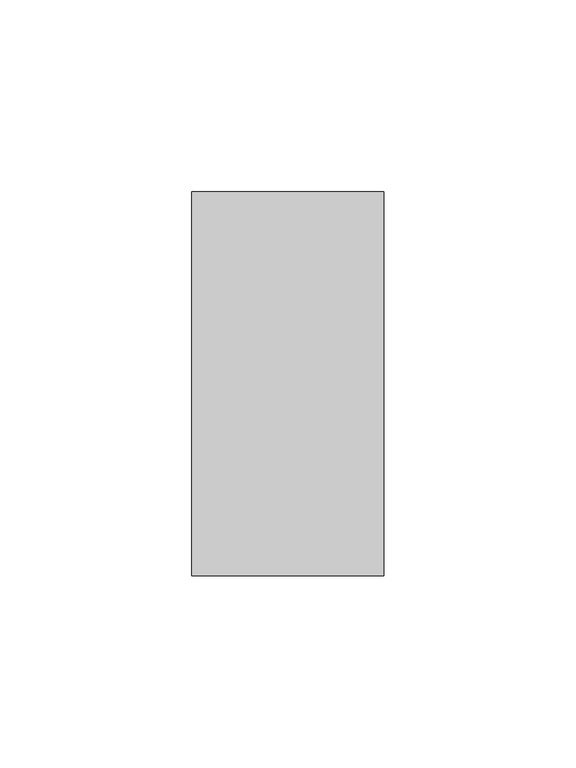
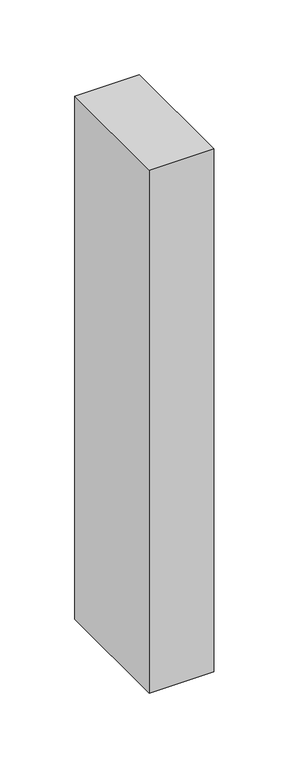
"""IFC4 building model written with IfcOpenShell, lengths in millimetres: member geometry."""

from ifc_helpers import new_model, si_unit, frame, origin, place, context, project, spatial, polyline, outline, extrude, source, transform, mapped, element, save


def member_fb2d226b(model_context):
    return source(origin(), model_context, "Body", "SweptSolid", [
        extrude(outline(polyline([(0.0, 50.0), (0.0, -50.0), (-50.0, -50.0), (-50.0, 50.0), (0.0, 50.0)])), frame((0.0, 0.0, -427.7324119), z_axis=(0.0, 0.0, 1.0), x_axis=(1.0, 0.0, 0.0)), (0.0, 0.0, 1.0), 427.7324119),
    ])


if __name__ == "__main__":
    model = new_model("IFC4")
    model_context = context("Model", 3, world=origin())
    ifc_project = project(units=[si_unit("LENGTHUNIT", "METRE", prefix="MILLI")], contexts=[model_context])
    site = spatial("IfcSite", under=ifc_project)
    building = spatial("IfcBuilding", under=site)
    placement = place(None, origin())
    member_shape = member_fb2d226b(model_context)
    element("IfcMember", 1, at=placement, inside=building, context=model_context, shape_type="MappedRepresentation", body=[
        mapped(member_shape, transform((0.0, 0.0, 0.0), x_axis=(1.0, 0.0, 0.0), y_axis=(0.0, 1.0, 0.0), z_axis=(0.0, 0.0, 1.0))),
    ])
    save(model, "model.ifc")
